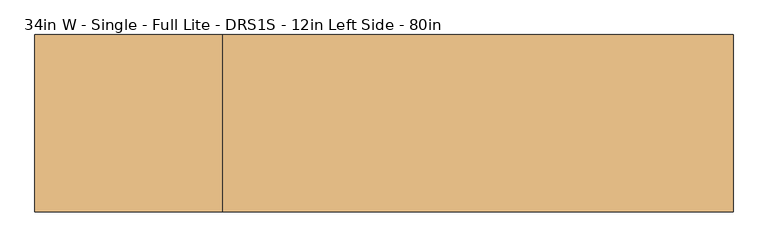
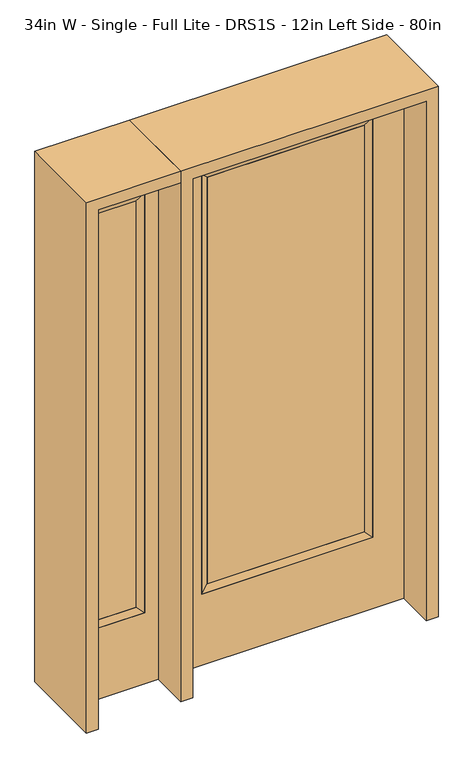
"""IFC4 building model written with IfcOpenShell, lengths in millimetres: door geometry, 34in W - Single - Full Lite - DRS1S - 12in Left Side - 80in."""

from ifc_helpers import new_model, si_unit, frame, origin, place, context, project, spatial, polyline, outline, extrude, faceted_brep, source, transform, mapped, element, save


def door_34in_w_single_full_lite_drs1s_12in_left_side_80in_734ead41(model_context):
    return source(origin(), model_context, "Body", "SolidModel", [
        extrude(outline(polyline([(290.9824, -12.7039749), (-290.9824, -12.7039749), (-290.9824, 14.2875), (290.9824, 14.2875), (290.9824, -12.7039749)])), frame((0.0, 0.0, 304.8), z_axis=(0.0, 0.0, 1.0), x_axis=(1.0, 0.0, 0.0)), (0.0, 0.0, 1.0), 1591.1576),
        faceted_brep([(290.9824, 14.2875, 1895.9576), (316.3824, 22.225, 1921.3576), (316.3824, 22.225, 279.4), (290.9824, 14.2875, 304.8), (316.3824, -22.225, 1921.3576), (316.3824, -22.225, 279.4), (-316.3824, 22.225, 279.4), (-290.9824, 14.2875, 304.8), (290.9824, -12.7039749, 1895.9576), (290.9824, -12.7039749, 304.8), (-290.9824, -12.7039749, 304.8), (-316.3824, -22.225, 279.4), (-316.3824, 22.225, 1921.3576), (-290.9824, 14.2875, 1895.9576), (-290.9824, -12.7039749, 1895.9576), (-316.3824, -22.225, 1921.3576)], [[[0, 1, 2, 3]], [[1, 4, 5, 2]], [[3, 2, 6, 7]], [[8, 0, 3, 9]], [[9, 3, 7, 10]], [[4, 8, 9, 5]], [[5, 9, 10, 11]], [[2, 5, 11, 6]], [[7, 6, 12, 13]], [[10, 7, 13, 14]], [[11, 10, 14, 15]], [[6, 11, 15, 12]], [[13, 12, 1, 0]], [[14, 13, 0, 8]], [[15, 14, 8, 4]], [[12, 15, 4, 1]]]),
        extrude(outline(polyline([(0.0, -431.8), (0.0, 431.8), (2032.0, 431.8), (2032.0, -431.8), (0.0, -431.8)]), holes=[polyline([(279.4, -316.3824), (1921.3576, -316.3824), (1921.3576, 316.3824), (279.4, 316.3824), (279.4, -316.3824)])]), frame((0.0, -22.225, 0.0), z_axis=(0.0, 1.0, 0.0), x_axis=(0.0, 0.0, 1.0)), (0.0, 0.0, 1.0), 44.45),
        faceted_brep([(-527.05, 20.6375, 1920.875), (-527.05, -20.6375, 1920.875), (-527.05, -20.6375, 279.4), (-527.05, 20.6375, 279.4), (-552.45, -12.7, 1895.475), (-552.45, -12.7, 304.8), (-730.25, -20.6375, 279.4), (-730.25, 20.6375, 279.4), (-552.45, 12.7, 1895.475), (-552.45, 12.7, 304.8), (-704.85, 12.7, 304.8), (-704.85, -12.7, 304.8), (-730.25, -20.6375, 1920.875), (-730.25, 20.6375, 1920.875), (-704.85, 12.7, 1895.475), (-704.85, -12.7, 1895.475)], [[[0, 1, 2, 3]], [[1, 4, 5, 2]], [[3, 2, 6, 7]], [[8, 0, 3, 9]], [[9, 3, 7, 10]], [[4, 8, 9, 5]], [[5, 9, 10, 11]], [[2, 5, 11, 6]], [[7, 6, 12, 13]], [[10, 7, 13, 14]], [[11, 10, 14, 15]], [[6, 11, 15, 12]], [[13, 12, 1, 0]], [[14, 13, 0, 8]], [[15, 14, 8, 4]], [[12, 15, 4, 1]]]),
        extrude(outline(polyline([(0.0, -781.05), (0.0, -476.25), (2032.0, -476.25), (2032.0, -781.05), (0.0, -781.05)]), holes=[polyline([(1920.875, -527.05), (279.4, -527.05), (279.4, -730.25), (1920.875, -730.25), (1920.875, -527.05)])]), frame((0.0, -20.6375, 0.0), z_axis=(0.0, 1.0, 0.0), x_axis=(0.0, 0.0, 1.0)), (0.0, 0.0, 1.0), 41.275),
        extrude(outline(polyline([(-552.45, -12.7), (-704.85, -12.7), (-704.85, 12.7), (-552.45, 12.7), (-552.45, -12.7)])), frame((0.0, 0.0, 304.8), z_axis=(0.0, 0.0, 1.0), x_axis=(1.0, 0.0, 0.0)), (0.0, 0.0, 1.0), 1590.675),
        extrude(outline(polyline([(2032.0, -476.25), (2076.45, -476.25), (2076.45, -825.5), (0.0, -825.5), (0.0, -781.05), (2032.0, -781.05), (2032.0, -476.25)])), frame((0.0, -165.1, 0.0), z_axis=(0.0, 1.0, 0.0), x_axis=(0.0, 0.0, 1.0)), (0.0, 0.0, 1.0), 330.2),
        extrude(outline(polyline([(2076.45, -476.25), (0.0, -476.25), (0.0, -431.8), (2032.0, -431.8), (2032.0, 431.8), (0.0, 431.8), (0.0, 476.25), (2076.45, 476.25), (2076.45, -476.25)])), frame((0.0, -165.1, 0.0), z_axis=(0.0, 1.0, 0.0), x_axis=(0.0, 0.0, 1.0)), (0.0, 0.0, 1.0), 330.2),
    ])


if __name__ == "__main__":
    model = new_model("IFC4")
    model_context = context("Model", 3, world=origin())
    ifc_project = project(units=[si_unit("LENGTHUNIT", "METRE", prefix="MILLI")], contexts=[model_context])
    site = spatial("IfcSite", under=ifc_project)
    building = spatial("IfcBuilding", under=site)
    placement = place(None, origin())
    door_34in_w_single_full_lite_drs1s_12in_left_side_80in_shape = door_34in_w_single_full_lite_drs1s_12in_left_side_80in_734ead41(model_context)
    element("IfcDoor", 1, ObjectType="34in W - Single - Full Lite - DRS1S - 12in Left Side - 80in", at=placement, inside=building, context=model_context, shape_type="MappedRepresentation", body=[
        mapped(door_34in_w_single_full_lite_drs1s_12in_left_side_80in_shape, transform((0.0, 0.0, 0.0), x_axis=(1.0, 0.0, 0.0), y_axis=(0.0, 1.0, 0.0), z_axis=(0.0, 0.0, 1.0))),
    ])
    save(model, "model.ifc")
